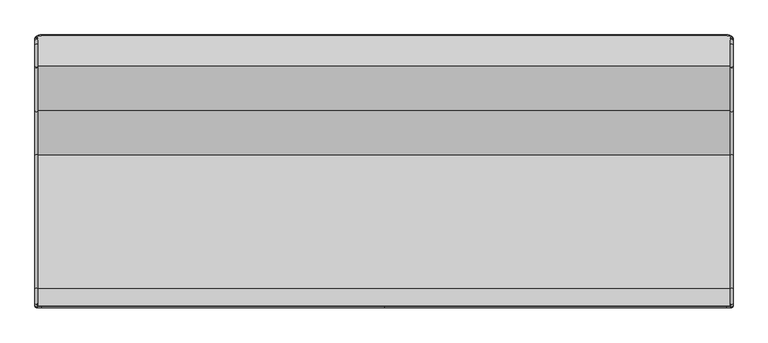
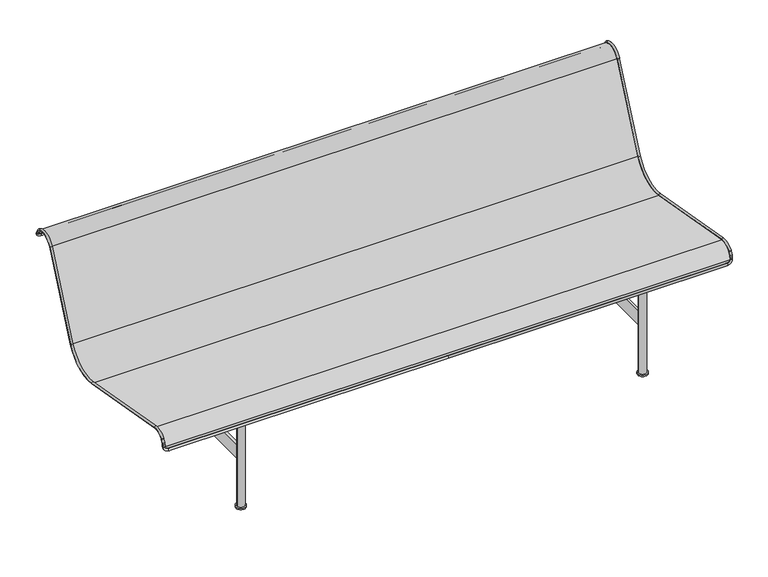
"""IFC4 building model written with IfcOpenShell, lengths in millimetres: furniture geometry."""

from ifc_helpers import new_model, si_unit, point, frame, frame_2d, origin, origin_with_axes, place, context, project, spatial, polyline, circle_curve, ellipse_curve, trimmed, segment, composite_curve, outline, extrude, source, transform, mapped, element, save
from ifc_brep_helpers import cylinder_surface, revolved_surface, advanced_brep


def furniture_766ddce8(model_context):
    return source(origin(), model_context, "Body", "SolidModel", [
        advanced_brep(
        [(-999.5462493, 373.7937013, 682.4780585), (-999.5462493, 371.646043, 686.9933175), (-991.5462493, 371.646043, 686.9933175), (-991.5462493, 373.7937013, 682.4780585), (-991.5462493, 296.4612266, 676.0749425), (-991.5462493, 357.7572354, 700.2806419), (-999.5462493, 357.7572354, 700.2806419), (-999.5462493, 296.4612266, 676.0749425), (-999.5462493, 169.6234197, 391.1925638), (-991.5462493, 169.6234197, 391.1925638), (-999.5462493, 43.6034187, 324.1865407), (-991.5462493, 43.6034187, 324.1865407), (-999.5462493, -338.739978, 391.6039975), (-991.5462493, -338.739978, 391.6039975), (-999.5462493, -381.5432629, 374.8006881), (-991.5462493, -381.5432629, 374.8006881), (-991.5462493, -382.9815742, 372.5487627), (-999.5462493, -382.9815742, 372.5487627), (-999.5462493, -388.067645, 362.9832548), (-991.5462493, -388.067645, 362.9832548), (-991.5462493, -389.6972432, 357.1071135), (-999.5462493, -389.6972432, 357.1071135), (-999.5462493, -389.9613935, 352.0668255), (-991.5462493, -389.9613935, 352.0668255), (0.0, 384.102461, 660.8048152), (-980.5462493, 384.102461, 660.8048152), (-980.5462493, 380.6662078, 668.0292297), (0.0, 380.6662078, 668.0292297), (-991.5462493, 375.9413596, 677.9627995), (-999.5462493, 375.9413596, 677.9627995), (0.0, -391.0683935, 330.9440069), (-980.5462493, -391.0683935, 330.9440069), (-980.5462493, -390.6497059, 338.9330432), (0.0, -390.6497059, 338.9330432), (-991.5462493, -390.0740104, 349.9179681), (-999.5462493, -390.0740104, 349.9179681), (980.5462493, -390.6497059, 338.9330432), (980.5462493, -391.0683935, 330.9440069), (999.5462493, -390.0740104, 349.9179681), (991.5462493, -390.0740104, 349.9179681), (991.5462493, -389.9613935, 352.0668255), (999.5462493, -389.9613935, 352.0668255), (980.5462493, 380.6662078, 668.0292297), (980.5462493, 384.102461, 660.8048152), (999.5462493, 375.9413596, 677.9627995), (991.5462493, 375.9413596, 677.9627995), (991.5462493, 373.7937013, 682.4780585), (999.5462493, 373.7937013, 682.4780585), (991.5462493, 371.646043, 686.9933175), (999.5462493, 371.646043, 686.9933175), (999.5462493, 296.4612266, 676.0749425), (999.5462493, 357.7572354, 700.2806419), (991.5462493, 357.7572354, 700.2806419), (991.5462493, 296.4612266, 676.0749425), (991.5462493, 169.6234197, 391.1925638), (999.5462493, 169.6234197, 391.1925638), (991.5462493, 43.6034187, 324.1865407), (999.5462493, 43.6034187, 324.1865407), (991.5462493, -338.739978, 391.6039975), (999.5462493, -338.739978, 391.6039975), (991.5462493, -381.5432629, 374.8006881), (999.5462493, -381.5432629, 374.8006881), (999.5462493, -382.9815742, 372.5487627), (991.5462493, -382.9815742, 372.5487627), (991.5462493, -388.067645, 362.9832548), (999.5462493, -388.067645, 362.9832548), (999.5462493, -389.6972432, 357.1071135), (991.5462493, -389.6972432, 357.1071135)],
        [
            (0, 1),
            (1, 2, circle_curve(frame((-995.5462493, 371.646043, 686.9933175), z_axis=(0.0, 0.4295316530768692, -0.9030518030573064), x_axis=(1.0, 0.0, 0.0)), 4.0)),
            (2, 3),
            (3, 0, circle_curve(frame((-995.5462493, 373.7937013, 682.4780585), z_axis=(0.0, -0.4295316530768692, 0.9030518030573064), x_axis=(1.0, 0.0, 0.0)), 4.0)),
            (0, 3, circle_curve(frame((-995.5462493, 373.7937013, 682.4780585), z_axis=(0.0, -0.4295316530768692, 0.9030518030573064), x_axis=(1.0, 0.0, 0.0)), 4.0)),
            (2, 1, circle_curve(frame((-995.5462493, 371.646043, 686.9933175), z_axis=(0.0, 0.4295316530768692, -0.9030518030573064), x_axis=(1.0, 0.0, 0.0)), 4.0)),
            (4, 5, circle_curve(frame((-991.5462493, 339.4462618, 656.9367718), z_axis=(-1.0, 0.0, 0.0), x_axis=(0.0, 0.38915652171683707, 0.9211716461144758)), 47.0529789)),
            (5, 6, circle_curve(frame((-995.5462493, 357.7572354, 700.2806419), z_axis=(0.0, -0.9211716461144757, 0.3891565217168374), x_axis=(1.0, 0.0, 0.0)), 4.0)),
            (6, 7, circle_curve(frame((-999.5462493, 339.4462618, 656.9367718), z_axis=(1.0, 0.0, 0.0), x_axis=(0.0, 0.38915652171683707, 0.9211716461144758)), 47.0529789)),
            (7, 4, circle_curve(frame((-995.5462493, 296.4612266, 676.0749425), z_axis=(0.0, 0.40673664307593704, 0.9135454576425401), x_axis=(1.0, 0.0, 0.0)), 4.0)),
            (4, 7, circle_curve(frame((-995.5462493, 296.4612266, 676.0749425), z_axis=(0.0, 0.4067366430759344, 0.9135454576425412), x_axis=(1.0, 0.0, 0.0)), 4.0)),
            (6, 5, circle_curve(frame((-995.5462493, 357.7572354, 700.2806419), z_axis=(0.0, -0.9211716461144757, 0.3891565217168374), x_axis=(1.0, 0.0, 0.0)), 4.0)),
            (7, 8),
            (8, 9, circle_curve(frame((-995.5462493, 169.6234197, 391.1925638), z_axis=(0.0, 0.40673664307592794, 0.913545457642544), x_axis=(1.0, 0.0, 0.0)), 4.0)),
            (9, 4),
            (9, 8, circle_curve(frame((-995.5462493, 169.6234197, 391.1925638), z_axis=(0.0, 0.40673664307592794, 0.913545457642544), x_axis=(1.0, 0.0, 0.0)), 4.0)),
            (8, 10, circle_curve(frame((-999.5462493, 63.7315199, 438.3386751), z_axis=(-1.0, 0.0, 0.0), x_axis=(0.0, 0.9135454576425461, -0.40673664307592317)), 115.9131151)),
            (10, 11, circle_curve(frame((-995.5462493, 43.6034187, 324.1865407), z_axis=(0.0, 0.9848077530121876, -0.17364817766704613), x_axis=(1.0, 0.0, 0.0)), 4.0)),
            (11, 9, circle_curve(frame((-991.5462493, 63.7315199, 438.3386751), z_axis=(1.0, 0.0, 0.0), x_axis=(0.0, 0.9135454576425461, -0.40673664307592317)), 115.9131151)),
            (11, 10, circle_curve(frame((-995.5462493, 43.6034187, 324.1865407), z_axis=(0.0, 0.9848077530121876, -0.17364817766704613), x_axis=(1.0, 0.0, 0.0)), 4.0)),
            (10, 12),
            (12, 13, circle_curve(frame((-995.5462493, -338.739978, 391.6039975), z_axis=(0.0, 0.9848077530121863, -0.17364817766705457), x_axis=(1.0, 0.0, 0.0)), 4.0)),
            (13, 11),
            (13, 12, circle_curve(frame((-995.5462493, -338.739978, 391.6039975), z_axis=(0.0, 0.9848077530121863, -0.17364817766705457), x_axis=(1.0, 0.0, 0.0)), 4.0)),
            (12, 14, circle_curve(frame((-999.5462493, -346.3955852, 348.1868914), z_axis=(1.0, 0.0, 0.0), x_axis=(0.0, 0.17364817766705343, 0.9848077530121864)), 44.0868849)),
            (14, 15, circle_curve(frame((-995.5462493, -381.5432629, 374.8006881), z_axis=(0.0, 0.6036669805096826, 0.7972365876214679), x_axis=(1.0, 0.0, 0.0)), 4.0)),
            (15, 13, circle_curve(frame((-991.5462493, -346.3955852, 348.1868914), z_axis=(-1.0, 0.0, 0.0), x_axis=(0.0, 0.17364817766705343, 0.9848077530121864)), 44.0868849)),
            (15, 14, circle_curve(frame((-995.5462493, -381.5432629, 374.8006881), z_axis=(0.0, 0.6036669805096826, 0.7972365876214679), x_axis=(1.0, 0.0, 0.0)), 4.0)),
            (16, 17, circle_curve(frame((-995.5462493, -382.9815742, 372.5487627), z_axis=(0.0, -0.46947156278589214, -0.8829475928589262), x_axis=(1.0, 0.0, 0.0)), 4.0)),
            (17, 18),
            (18, 19, circle_curve(frame((-995.5462493, -388.067645, 362.9832548), z_axis=(0.0, 0.46947156278589214, 0.8829475928589262), x_axis=(1.0, 0.0, 0.0)), 4.0)),
            (19, 16),
            (17, 16, circle_curve(frame((-995.5462493, -382.9815742, 372.5487627), z_axis=(0.0, -0.46947156278589214, -0.8829475928589262), x_axis=(1.0, 0.0, 0.0)), 4.0)),
            (19, 18, circle_curve(frame((-995.5462493, -388.067645, 362.9832548), z_axis=(0.0, 0.46947156278589214, 0.8829475928589262), x_axis=(1.0, 0.0, 0.0)), 4.0)),
            (1, 6, circle_curve(frame((-999.5462493, 347.239684, 675.3845663), z_axis=(1.0, 0.0, 0.0), x_axis=(0.0, 0.9030518030573125, 0.4295316530768563)), 27.0265327)),
            (5, 2, circle_curve(frame((-991.5462493, 347.239684, 675.3845663), z_axis=(-1.0, 0.0, 0.0), x_axis=(0.0, 0.9030518030573125, 0.4295316530768563)), 27.0265327)),
            (14, 17, circle_curve(frame((-999.5462493, -368.164883, 364.6705883), z_axis=(1.0, 0.0, 0.0), x_axis=(0.0, -0.7972365876214653, 0.6036669805096861)), 16.7809407)),
            (16, 15, circle_curve(frame((-991.5462493, -368.164883, 364.6705883), z_axis=(-1.0, 0.0, 0.0), x_axis=(0.0, -0.7972365876214653, 0.6036669805096861)), 16.7809407)),
            (20, 21, circle_curve(frame((-995.5462493, -389.6972432, 357.1071135), z_axis=(0.0, -0.052335956242950066, -0.9986295347545737), x_axis=(1.0, 0.0, 0.0)), 4.0)),
            (21, 22),
            (22, 23, circle_curve(frame((-995.5462493, -389.9613935, 352.0668255), z_axis=(0.0, 0.052335956242950066, 0.9986295347545737), x_axis=(1.0, 0.0, 0.0)), 4.0)),
            (23, 20),
            (21, 20, circle_curve(frame((-995.5462493, -389.6972432, 357.1071135), z_axis=(0.0, -0.052335956242950066, -0.9986295347545737), x_axis=(1.0, 0.0, 0.0)), 4.0)),
            (23, 22, circle_curve(frame((-995.5462493, -389.9613935, 352.0668255), z_axis=(0.0, 0.052335956242950066, 0.9986295347545737), x_axis=(1.0, 0.0, 0.0)), 4.0)),
            (18, 21, circle_curve(frame((-999.5462493, -375.6296639, 356.3698629), z_axis=(1.0, 0.0, 0.0), x_axis=(0.0, -0.8829475928589232, 0.46947156278589786)), 14.0868849)),
            (20, 19, circle_curve(frame((-991.5462493, -375.6296639, 356.3698629), z_axis=(-1.0, 0.0, 0.0), x_axis=(0.0, -0.8829475928589232, 0.46947156278589786)), 14.0868849)),
            (24, 25),
            (25, 26, circle_curve(frame((-980.5462493, 382.3843344, 664.4170225), z_axis=(1.0, 0.0, 0.0), x_axis=(0.0, -0.4295316530768436, 0.9030518030573186)), 4.0)),
            (26, 27),
            (27, 24, circle_curve(frame((0.0, 382.3843344, 664.4170225), z_axis=(-1.0, 0.0, 0.0), x_axis=(0.0, -0.4295316530768436, 0.9030518030573186)), 4.0)),
            (24, 27, circle_curve(frame((0.0, 382.3843344, 664.4170225), z_axis=(-1.0, 0.0, 0.0), x_axis=(0.0, -0.4295316530768436, 0.9030518030573186)), 4.0)),
            (26, 25, circle_curve(frame((-980.5462493, 382.3843344, 664.4170225), z_axis=(1.0, 0.0, 0.0), x_axis=(0.0, -0.4295316530768436, 0.9030518030573186)), 4.0)),
            (28, 29, circle_curve(frame((-995.5462493, 375.9413596, 677.9627995), z_axis=(0.0, -0.42953165307684366, 0.9030518030573186), x_axis=(1.0, 0.0, 0.0)), 4.0)),
            (29, 0),
            (3, 28),
            (29, 28, circle_curve(frame((-995.5462493, 375.9413596, 677.9627995), z_axis=(0.0, -0.42953165307684366, 0.9030518030573186), x_axis=(1.0, 0.0, 0.0)), 4.0)),
            (25, 29, circle_curve(frame((-980.5462493, 375.9413596, 677.9627995), z_axis=(0.0, 0.9030518030573186, 0.4295316530768436), x_axis=(0.0, 0.4295316530768436, -0.9030518030573186)), 19.0)),
            (28, 26, circle_curve(frame((-980.5462493, 375.9413596, 677.9627995), z_axis=(0.0, -0.9030518030573186, -0.4295316530768436), x_axis=(0.0, 0.4295316530768436, -0.9030518030573186)), 11.0)),
            (30, 31),
            (31, 32, circle_curve(frame((-980.5462493, -390.8590497, 334.938525), z_axis=(1.0, 0.0, 0.0), x_axis=(0.0, 0.052335956242932254, 0.9986295347545745)), 4.0)),
            (32, 33),
            (33, 30, circle_curve(frame((0.0, -390.8590497, 334.938525), z_axis=(-1.0, 0.0, 0.0), x_axis=(0.0, 0.052335956242932254, 0.9986295347545745)), 4.0)),
            (30, 33, circle_curve(frame((0.0, -390.8590497, 334.938525), z_axis=(-1.0, 0.0, 0.0), x_axis=(0.0, 0.052335956242932254, 0.9986295347545745)), 4.0)),
            (32, 31, circle_curve(frame((-980.5462493, -390.8590497, 334.938525), z_axis=(1.0, 0.0, 0.0), x_axis=(0.0, 0.052335956242932254, 0.9986295347545745)), 4.0)),
            (34, 35, circle_curve(frame((-995.5462493, -390.0740104, 349.9179681), z_axis=(0.0, 0.05233595624293225, 0.9986295347545745), x_axis=(1.0, 0.0, 0.0)), 4.0)),
            (35, 22),
            (23, 34),
            (35, 34, circle_curve(frame((-995.5462493, -390.0740104, 349.9179681), z_axis=(0.0, 0.05233595624293225, 0.9986295347545745), x_axis=(1.0, 0.0, 0.0)), 4.0)),
            (31, 35, circle_curve(frame((-980.5462493, -390.0740104, 349.9179681), z_axis=(0.0, 0.9986295347545745, -0.052335956242932254), x_axis=(0.0, -0.052335956242932254, -0.9986295347545745)), 19.0)),
            (34, 32, circle_curve(frame((-980.5462493, -390.0740104, 349.9179681), z_axis=(0.0, -0.9986295347545745, 0.052335956242932254), x_axis=(0.0, -0.052335956242932254, -0.9986295347545745)), 11.0)),
            (33, 36),
            (36, 37, circle_curve(frame((980.5462493, -390.8590497, 334.938525), z_axis=(-1.0, 0.0, 0.0), x_axis=(0.0, 0.052335956242932254, 0.9986295347545745)), 4.0)),
            (37, 30),
            (37, 36, circle_curve(frame((980.5462493, -390.8590497, 334.938525), z_axis=(-1.0, 0.0, 0.0), x_axis=(0.0, 0.052335956242932254, 0.9986295347545745)), 4.0)),
            (38, 39, circle_curve(frame((995.5462493, -390.0740104, 349.9179681), z_axis=(0.0, 0.05233595624293225, 0.9986295347545745), x_axis=(-1.0, 0.0, 0.0)), 4.0)),
            (39, 40),
            (40, 41, circle_curve(frame((995.5462493, -389.9613935, 352.0668255), z_axis=(0.0, -0.05233595624293225, -0.9986295347545745), x_axis=(-1.0, 0.0, 0.0)), 4.0)),
            (41, 38),
            (39, 38, circle_curve(frame((995.5462493, -390.0740104, 349.9179681), z_axis=(0.0, 0.05233595624293225, 0.9986295347545745), x_axis=(-1.0, 0.0, 0.0)), 4.0)),
            (41, 40, circle_curve(frame((995.5462493, -389.9613935, 352.0668255), z_axis=(0.0, -0.05233595624293225, -0.9986295347545745), x_axis=(-1.0, 0.0, 0.0)), 4.0)),
            (36, 39, circle_curve(frame((980.5462493, -390.0740104, 349.9179681), z_axis=(0.0, -0.9986295347545745, 0.052335956242932254), x_axis=(0.0, -0.052335956242932254, -0.9986295347545745)), 11.0)),
            (38, 37, circle_curve(frame((980.5462493, -390.0740104, 349.9179681), z_axis=(0.0, 0.9986295347545745, -0.052335956242932254), x_axis=(0.0, -0.052335956242932254, -0.9986295347545745)), 19.0)),
            (27, 42),
            (42, 43, circle_curve(frame((980.5462493, 382.3843344, 664.4170225), z_axis=(-1.0, 0.0, 0.0), x_axis=(0.0, -0.4295316530768436, 0.9030518030573186)), 4.0)),
            (43, 24),
            (43, 42, circle_curve(frame((980.5462493, 382.3843344, 664.4170225), z_axis=(-1.0, 0.0, 0.0), x_axis=(0.0, -0.4295316530768436, 0.9030518030573186)), 4.0)),
            (44, 45, circle_curve(frame((995.5462493, 375.9413596, 677.9627995), z_axis=(0.0, -0.42953165307684366, 0.9030518030573186), x_axis=(-1.0, 0.0, 0.0)), 4.0)),
            (45, 46),
            (46, 47, circle_curve(frame((995.5462493, 373.7937013, 682.4780585), z_axis=(0.0, 0.42953165307684366, -0.9030518030573186), x_axis=(-1.0, 0.0, 0.0)), 4.0)),
            (47, 44),
            (45, 44, circle_curve(frame((995.5462493, 375.9413596, 677.9627995), z_axis=(0.0, -0.42953165307684366, 0.9030518030573186), x_axis=(-1.0, 0.0, 0.0)), 4.0)),
            (47, 46, circle_curve(frame((995.5462493, 373.7937013, 682.4780585), z_axis=(0.0, 0.42953165307684366, -0.9030518030573186), x_axis=(-1.0, 0.0, 0.0)), 4.0)),
            (42, 45, circle_curve(frame((980.5462493, 375.9413596, 677.9627995), z_axis=(0.0, -0.9030518030573186, -0.4295316530768436), x_axis=(0.0, 0.4295316530768436, -0.9030518030573186)), 11.0)),
            (44, 43, circle_curve(frame((980.5462493, 375.9413596, 677.9627995), z_axis=(0.0, 0.9030518030573186, 0.4295316530768436), x_axis=(0.0, 0.4295316530768436, -0.9030518030573186)), 19.0)),
            (46, 48),
            (48, 49, circle_curve(frame((995.5462493, 371.646043, 686.9933175), z_axis=(0.0, 0.4295316530768692, -0.9030518030573064), x_axis=(-1.0, 0.0, 0.0)), 4.0)),
            (49, 47),
            (49, 48, circle_curve(frame((995.5462493, 371.646043, 686.9933175), z_axis=(0.0, 0.4295316530768692, -0.9030518030573064), x_axis=(-1.0, 0.0, 0.0)), 4.0)),
            (50, 51, circle_curve(frame((999.5462493, 339.4462618, 656.9367718), z_axis=(-1.0, 0.0, 0.0), x_axis=(0.0, 0.38915652171683707, 0.9211716461144758)), 47.0529789)),
            (51, 52, circle_curve(frame((995.5462493, 357.7572354, 700.2806419), z_axis=(0.0, -0.9211716461144757, 0.3891565217168374), x_axis=(-1.0, 0.0, 0.0)), 4.0)),
            (52, 53, circle_curve(frame((991.5462493, 339.4462618, 656.9367718), z_axis=(1.0, 0.0, 0.0), x_axis=(0.0, 0.38915652171683707, 0.9211716461144758)), 47.0529789)),
            (53, 50, circle_curve(frame((995.5462493, 296.4612266, 676.0749425), z_axis=(0.0, 0.4067366430759344, 0.9135454576425412), x_axis=(-1.0, 0.0, 0.0)), 4.0)),
            (50, 53, circle_curve(frame((995.5462493, 296.4612266, 676.0749425), z_axis=(0.0, 0.4067366430759344, 0.9135454576425412), x_axis=(-1.0, 0.0, 0.0)), 4.0)),
            (52, 51, circle_curve(frame((995.5462493, 357.7572354, 700.2806419), z_axis=(0.0, -0.9211716461144757, 0.3891565217168374), x_axis=(-1.0, 0.0, 0.0)), 4.0)),
            (53, 54),
            (54, 55, circle_curve(frame((995.5462493, 169.6234197, 391.1925638), z_axis=(0.0, 0.40673664307592794, 0.913545457642544), x_axis=(-1.0, 0.0, 0.0)), 4.0)),
            (55, 50),
            (55, 54, circle_curve(frame((995.5462493, 169.6234197, 391.1925638), z_axis=(0.0, 0.40673664307592794, 0.913545457642544), x_axis=(-1.0, 0.0, 0.0)), 4.0)),
            (54, 56, circle_curve(frame((991.5462493, 63.7315199, 438.3386751), z_axis=(-1.0, 0.0, 0.0), x_axis=(0.0, 0.9135454576425461, -0.40673664307592317)), 115.9131151)),
            (56, 57, circle_curve(frame((995.5462493, 43.6034187, 324.1865407), z_axis=(0.0, 0.9848077530121876, -0.17364817766704613), x_axis=(-1.0, 0.0, 0.0)), 4.0)),
            (57, 55, circle_curve(frame((999.5462493, 63.7315199, 438.3386751), z_axis=(1.0, 0.0, 0.0), x_axis=(0.0, 0.9135454576425461, -0.40673664307592317)), 115.9131151)),
            (57, 56, circle_curve(frame((995.5462493, 43.6034187, 324.1865407), z_axis=(0.0, 0.9848077530121876, -0.17364817766704613), x_axis=(-1.0, 0.0, 0.0)), 4.0)),
            (56, 58),
            (58, 59, circle_curve(frame((995.5462493, -338.739978, 391.6039975), z_axis=(0.0, 0.9848077530121863, -0.17364817766705457), x_axis=(-1.0, 0.0, 0.0)), 4.0)),
            (59, 57),
            (59, 58, circle_curve(frame((995.5462493, -338.739978, 391.6039975), z_axis=(0.0, 0.9848077530121863, -0.17364817766705457), x_axis=(-1.0, 0.0, 0.0)), 4.0)),
            (58, 60, circle_curve(frame((991.5462493, -346.3955852, 348.1868914), z_axis=(1.0, 0.0, 0.0), x_axis=(0.0, 0.17364817766705343, 0.9848077530121864)), 44.0868849)),
            (60, 61, circle_curve(frame((995.5462493, -381.5432629, 374.8006881), z_axis=(0.0, 0.6036669805096826, 0.7972365876214679), x_axis=(-1.0, 0.0, 0.0)), 4.0)),
            (61, 59, circle_curve(frame((999.5462493, -346.3955852, 348.1868914), z_axis=(-1.0, 0.0, 0.0), x_axis=(0.0, 0.17364817766705343, 0.9848077530121864)), 44.0868849)),
            (61, 60, circle_curve(frame((995.5462493, -381.5432629, 374.8006881), z_axis=(0.0, 0.6036669805096826, 0.7972365876214679), x_axis=(-1.0, 0.0, 0.0)), 4.0)),
            (62, 63, circle_curve(frame((995.5462493, -382.9815742, 372.5487627), z_axis=(0.0, -0.46947156278589214, -0.8829475928589262), x_axis=(-1.0, 0.0, 0.0)), 4.0)),
            (63, 64),
            (64, 65, circle_curve(frame((995.5462493, -388.067645, 362.9832548), z_axis=(0.0, 0.46947156278589214, 0.8829475928589262), x_axis=(-1.0, 0.0, 0.0)), 4.0)),
            (65, 62),
            (63, 62, circle_curve(frame((995.5462493, -382.9815742, 372.5487627), z_axis=(0.0, -0.46947156278589214, -0.8829475928589262), x_axis=(-1.0, 0.0, 0.0)), 4.0)),
            (65, 64, circle_curve(frame((995.5462493, -388.067645, 362.9832548), z_axis=(0.0, 0.46947156278589214, 0.8829475928589262), x_axis=(-1.0, 0.0, 0.0)), 4.0)),
            (48, 52, circle_curve(frame((991.5462493, 347.239684, 675.3845663), z_axis=(1.0, 0.0, 0.0), x_axis=(0.0, 0.9030518030573125, 0.4295316530768563)), 27.0265327)),
            (51, 49, circle_curve(frame((999.5462493, 347.239684, 675.3845663), z_axis=(-1.0, 0.0, 0.0), x_axis=(0.0, 0.9030518030573125, 0.4295316530768563)), 27.0265327)),
            (60, 63, circle_curve(frame((991.5462493, -368.164883, 364.6705883), z_axis=(1.0, 0.0, 0.0), x_axis=(0.0, -0.7972365876214653, 0.6036669805096861)), 16.7809407)),
            (62, 61, circle_curve(frame((999.5462493, -368.164883, 364.6705883), z_axis=(-1.0, 0.0, 0.0), x_axis=(0.0, -0.7972365876214653, 0.6036669805096861)), 16.7809407)),
            (66, 67, circle_curve(frame((995.5462493, -389.6972432, 357.1071135), z_axis=(0.0, -0.052335956242950066, -0.9986295347545737), x_axis=(-1.0, 0.0, 0.0)), 4.0)),
            (67, 40),
            (41, 66),
            (67, 66, circle_curve(frame((995.5462493, -389.6972432, 357.1071135), z_axis=(0.0, -0.052335956242950066, -0.9986295347545737), x_axis=(-1.0, 0.0, 0.0)), 4.0)),
            (64, 67, circle_curve(frame((991.5462493, -375.6296639, 356.3698629), z_axis=(1.0, 0.0, 0.0), x_axis=(0.0, -0.8829475928589232, 0.46947156278589786)), 14.0868849)),
            (66, 65, circle_curve(frame((999.5462493, -375.6296639, 356.3698629), z_axis=(-1.0, 0.0, 0.0), x_axis=(0.0, -0.8829475928589232, 0.46947156278589786)), 14.0868849)),
        ],
        [
            cylinder_surface(frame((-995.5462493, 373.7937013, 682.4780585), z_axis=(0.0, 0.4295316530768692, -0.9030518030573064), x_axis=(1.0, 0.0, 0.0)), 4.0),
            revolved_surface(trimmed(ellipse_curve(frame((-995.5462493, 357.7572354, 700.2806419), z_axis=(0.0, 0.9211716461144757, -0.3891565217168374), x_axis=(1.0, 0.0, 0.0)), 4.0, 4.0), [point((-999.5462493, 357.7572354, 700.2806419))], [point((-991.5462493, 357.7572354, 700.2806419))], True, "CARTESIAN"), (-646.1061414, 339.4462618, 656.9367718), (1.0, 0.0, 0.0)),
            revolved_surface(trimmed(ellipse_curve(frame((-995.5462493, 357.7572354, 700.2806419), z_axis=(0.0, 0.9211716461144757, -0.3891565217168374), x_axis=(1.0, 0.0, 0.0)), 4.0, 4.0), [point((-991.5462493, 357.7572354, 700.2806419))], [point((-999.5462493, 357.7572354, 700.2806419))], True, "CARTESIAN"), (-646.1061414, 339.4462618, 656.9367718), (1.0, 0.0, 0.0)),
            cylinder_surface(frame((-995.5462493, 296.4612266, 676.0749425), z_axis=(0.0, 0.40673664307592794, 0.913545457642544), x_axis=(1.0, 0.0, 0.0)), 4.0),
            revolved_surface(trimmed(ellipse_curve(frame((-995.5462493, 169.6234197, 391.1925638), z_axis=(0.0, 0.4067366430759232, 0.9135454576425461), x_axis=(1.0, 0.0, 0.0)), 4.0, 4.0), [point((-999.5462493, 169.6234197, 391.1925638))], [point((-991.5462493, 169.6234197, 391.1925638))], True, "CARTESIAN"), (-646.1061414, 63.7315199, 438.3386751), (-1.0, 0.0, 0.0)),
            revolved_surface(trimmed(ellipse_curve(frame((-995.5462493, 169.6234197, 391.1925638), z_axis=(0.0, 0.4067366430759232, 0.9135454576425461), x_axis=(1.0, 0.0, 0.0)), 4.0, 4.0), [point((-991.5462493, 169.6234197, 391.1925638))], [point((-999.5462493, 169.6234197, 391.1925638))], True, "CARTESIAN"), (-646.1061414, 63.7315199, 438.3386751), (-1.0, 0.0, 0.0)),
            cylinder_surface(frame((-995.5462493, 43.6034187, 324.1865407), z_axis=(0.0, 0.9848077530121863, -0.17364817766705457), x_axis=(1.0, 0.0, 0.0)), 4.0),
            revolved_surface(trimmed(ellipse_curve(frame((-995.5462493, -338.739978, 391.6039975), z_axis=(0.0, 0.9848077530121864, -0.17364817766705357), x_axis=(1.0, 0.0, 0.0)), 4.0, 4.0), [point((-999.5462493, -338.739978, 391.6039975))], [point((-991.5462493, -338.739978, 391.6039975))], True, "CARTESIAN"), (-646.1061414, -346.3955852, 348.1868914), (1.0, 0.0, 0.0)),
            revolved_surface(trimmed(ellipse_curve(frame((-995.5462493, -338.739978, 391.6039975), z_axis=(0.0, 0.9848077530121864, -0.17364817766705357), x_axis=(1.0, 0.0, 0.0)), 4.0, 4.0), [point((-991.5462493, -338.739978, 391.6039975))], [point((-999.5462493, -338.739978, 391.6039975))], True, "CARTESIAN"), (-646.1061414, -346.3955852, 348.1868914), (1.0, 0.0, 0.0)),
            cylinder_surface(frame((-995.5462493, -382.9815742, 372.5487627), z_axis=(0.0, 0.46947156278589214, 0.8829475928589262), x_axis=(1.0, 0.0, 0.0)), 4.0),
            revolved_surface(trimmed(ellipse_curve(frame((-995.5462493, 371.646043, 686.9933175), z_axis=(0.0, 0.4295316530768562, -0.9030518030573125), x_axis=(1.0, 0.0, 0.0)), 4.0, 4.0), [point((-999.5462493, 371.646043, 686.9933175))], [point((-991.5462493, 371.646043, 686.9933175))], True, "CARTESIAN"), (-646.1061414, 347.239684, 675.3845663), (1.0, 0.0, 0.0)),
            revolved_surface(trimmed(ellipse_curve(frame((-995.5462493, 371.646043, 686.9933175), z_axis=(0.0, 0.4295316530768562, -0.9030518030573125), x_axis=(1.0, 0.0, 0.0)), 4.0, 4.0), [point((-991.5462493, 371.646043, 686.9933175))], [point((-999.5462493, 371.646043, 686.9933175))], True, "CARTESIAN"), (-646.1061414, 347.239684, 675.3845663), (1.0, 0.0, 0.0)),
            revolved_surface(trimmed(ellipse_curve(frame((-995.5462493, -381.5432629, 374.8006881), z_axis=(0.0, 0.6036669805096865, 0.7972365876214651), x_axis=(1.0, 0.0, 0.0)), 4.0, 4.0), [point((-999.5462493, -381.5432629, 374.8006881))], [point((-991.5462493, -381.5432629, 374.8006881))], True, "CARTESIAN"), (-646.1061414, -368.164883, 364.6705883), (1.0, 0.0, 0.0)),
            revolved_surface(trimmed(ellipse_curve(frame((-995.5462493, -381.5432629, 374.8006881), z_axis=(0.0, 0.6036669805096865, 0.7972365876214651), x_axis=(1.0, 0.0, 0.0)), 4.0, 4.0), [point((-991.5462493, -381.5432629, 374.8006881))], [point((-999.5462493, -381.5432629, 374.8006881))], True, "CARTESIAN"), (-646.1061414, -368.164883, 364.6705883), (1.0, 0.0, 0.0)),
            cylinder_surface(frame((-995.5462493, -389.6972432, 357.1071135), z_axis=(0.0, 0.052335956242950066, 0.9986295347545737), x_axis=(1.0, 0.0, 0.0)), 4.0),
            revolved_surface(trimmed(ellipse_curve(frame((-995.5462493, -388.067645, 362.9832548), z_axis=(0.0, 0.46947156278589824, 0.882947592858923), x_axis=(1.0, 0.0, 0.0)), 4.0, 4.0), [point((-999.5462493, -388.067645, 362.9832548))], [point((-991.5462493, -388.067645, 362.9832548))], True, "CARTESIAN"), (-646.1061414, -375.6296639, 356.3698629), (1.0, 0.0, 0.0)),
            revolved_surface(trimmed(ellipse_curve(frame((-995.5462493, -388.067645, 362.9832548), z_axis=(0.0, 0.46947156278589824, 0.882947592858923), x_axis=(1.0, 0.0, 0.0)), 4.0, 4.0), [point((-991.5462493, -388.067645, 362.9832548))], [point((-999.5462493, -388.067645, 362.9832548))], True, "CARTESIAN"), (-646.1061414, -375.6296639, 356.3698629), (1.0, 0.0, 0.0)),
            cylinder_surface(frame((0.0, 382.3843344, 664.4170225), z_axis=(1.0, 0.0, 0.0), x_axis=(0.0, -0.4295316530768436, 0.9030518030573186)), 4.0),
            cylinder_surface(frame((-995.5462493, 375.9413596, 677.9627995), z_axis=(0.0, 0.42953165307684366, -0.9030518030573186), x_axis=(1.0, 0.0, 0.0)), 4.0),
            revolved_surface(trimmed(ellipse_curve(frame((-980.5462493, 382.3843344, 664.4170225), z_axis=(1.0, 0.0, 0.0), x_axis=(0.0, -0.4295316530768436, 0.9030518030573186)), 4.0, 4.0), [point((-980.5462493, 384.102461, 660.8048152))], [point((-980.5462493, 380.6662078, 668.0292297))], True, "CARTESIAN"), (-980.5462493, -297.7152046, 357.5417377), (0.0, 0.9030518030573186, 0.4295316530768436)),
            revolved_surface(trimmed(ellipse_curve(frame((-980.5462493, 382.3843344, 664.4170225), z_axis=(1.0, 0.0, 0.0), x_axis=(0.0, -0.4295316530768436, 0.9030518030573186)), 4.0, 4.0), [point((-980.5462493, 380.6662078, 668.0292297))], [point((-980.5462493, 384.102461, 660.8048152))], True, "CARTESIAN"), (-980.5462493, -297.7152046, 357.5417377), (0.0, 0.9030518030573186, 0.4295316530768436)),
            cylinder_surface(frame((0.0, -390.8590497, 334.938525), z_axis=(1.0, 0.0, 0.0), x_axis=(0.0, 0.052335956242932254, 0.9986295347545745)), 4.0),
            cylinder_surface(frame((-995.5462493, -390.0740104, 349.9179681), z_axis=(0.0, -0.05233595624293225, -0.9986295347545745), x_axis=(1.0, 0.0, 0.0)), 4.0),
            revolved_surface(trimmed(ellipse_curve(frame((-980.5462493, -390.8590497, 334.938525), z_axis=(1.0, 0.0, 0.0), x_axis=(0.0, 0.052335956242932254, 0.9986295347545745)), 4.0, 4.0), [point((-980.5462493, -391.0683935, 330.9440069))], [point((-980.5462493, -390.6497059, 338.9330432))], True, "CARTESIAN"), (-980.5462493, -1135.0294371, 388.9594276), (0.0, 0.9986295347545745, -0.052335956242932254)),
            revolved_surface(trimmed(ellipse_curve(frame((-980.5462493, -390.8590497, 334.938525), z_axis=(1.0, 0.0, 0.0), x_axis=(0.0, 0.052335956242932254, 0.9986295347545745)), 4.0, 4.0), [point((-980.5462493, -390.6497059, 338.9330432))], [point((-980.5462493, -391.0683935, 330.9440069))], True, "CARTESIAN"), (-980.5462493, -1135.0294371, 388.9594276), (0.0, 0.9986295347545745, -0.052335956242932254)),
            cylinder_surface(frame((0.0, -390.8590497, 334.938525), z_axis=(-1.0, 0.0, 0.0), x_axis=(0.0, 0.052335956242932254, 0.9986295347545745)), 4.0),
            cylinder_surface(frame((995.5462493, -390.0740104, 349.9179681), z_axis=(0.0, -0.05233595624293225, -0.9986295347545745), x_axis=(-1.0, 0.0, 0.0)), 4.0),
            revolved_surface(trimmed(ellipse_curve(frame((980.5462493, -390.8590497, 334.938525), z_axis=(-1.0, 0.0, 0.0), x_axis=(0.0, 0.052335956242932254, 0.9986295347545745)), 4.0, 4.0), [point((980.5462493, -390.6497059, 338.9330432))], [point((980.5462493, -391.0683935, 330.9440069))], True, "CARTESIAN"), (980.5462493, -1135.0294371, 388.9594276), (0.0, -0.9986295347545745, 0.052335956242932254)),
            revolved_surface(trimmed(ellipse_curve(frame((980.5462493, -390.8590497, 334.938525), z_axis=(-1.0, 0.0, 0.0), x_axis=(0.0, 0.052335956242932254, 0.9986295347545745)), 4.0, 4.0), [point((980.5462493, -391.0683935, 330.9440069))], [point((980.5462493, -390.6497059, 338.9330432))], True, "CARTESIAN"), (980.5462493, -1135.0294371, 388.9594276), (0.0, -0.9986295347545745, 0.052335956242932254)),
            cylinder_surface(frame((0.0, 382.3843344, 664.4170225), z_axis=(-1.0, 0.0, 0.0), x_axis=(0.0, -0.4295316530768436, 0.9030518030573186)), 4.0),
            cylinder_surface(frame((995.5462493, 375.9413596, 677.9627995), z_axis=(0.0, 0.42953165307684366, -0.9030518030573186), x_axis=(-1.0, 0.0, 0.0)), 4.0),
            revolved_surface(trimmed(ellipse_curve(frame((980.5462493, 382.3843344, 664.4170225), z_axis=(-1.0, 0.0, 0.0), x_axis=(0.0, -0.4295316530768436, 0.9030518030573186)), 4.0, 4.0), [point((980.5462493, 380.6662078, 668.0292297))], [point((980.5462493, 384.102461, 660.8048152))], True, "CARTESIAN"), (980.5462493, -297.7152046, 357.5417377), (0.0, -0.9030518030573186, -0.4295316530768436)),
            revolved_surface(trimmed(ellipse_curve(frame((980.5462493, 382.3843344, 664.4170225), z_axis=(-1.0, 0.0, 0.0), x_axis=(0.0, -0.4295316530768436, 0.9030518030573186)), 4.0, 4.0), [point((980.5462493, 384.102461, 660.8048152))], [point((980.5462493, 380.6662078, 668.0292297))], True, "CARTESIAN"), (980.5462493, -297.7152046, 357.5417377), (0.0, -0.9030518030573186, -0.4295316530768436)),
            cylinder_surface(frame((995.5462493, 373.7937013, 682.4780585), z_axis=(0.0, 0.4295316530768692, -0.9030518030573064), x_axis=(-1.0, 0.0, 0.0)), 4.0),
            revolved_surface(trimmed(ellipse_curve(frame((995.5462493, 357.7572354, 700.2806419), z_axis=(0.0, 0.9211716461144757, -0.3891565217168374), x_axis=(-1.0, 0.0, 0.0)), 4.0, 4.0), [point((991.5462493, 357.7572354, 700.2806419))], [point((999.5462493, 357.7572354, 700.2806419))], True, "CARTESIAN"), (646.1061414, 339.4462618, 656.9367718), (1.0, 0.0, 0.0)),
            revolved_surface(trimmed(ellipse_curve(frame((995.5462493, 357.7572354, 700.2806419), z_axis=(0.0, 0.9211716461144757, -0.3891565217168374), x_axis=(-1.0, 0.0, 0.0)), 4.0, 4.0), [point((999.5462493, 357.7572354, 700.2806419))], [point((991.5462493, 357.7572354, 700.2806419))], True, "CARTESIAN"), (646.1061414, 339.4462618, 656.9367718), (1.0, 0.0, 0.0)),
            cylinder_surface(frame((995.5462493, 296.4612266, 676.0749425), z_axis=(0.0, 0.40673664307592794, 0.913545457642544), x_axis=(-1.0, 0.0, 0.0)), 4.0),
            revolved_surface(trimmed(ellipse_curve(frame((995.5462493, 169.6234197, 391.1925638), z_axis=(0.0, 0.4067366430759232, 0.9135454576425461), x_axis=(-1.0, 0.0, 0.0)), 4.0, 4.0), [point((991.5462493, 169.6234197, 391.1925638))], [point((999.5462493, 169.6234197, 391.1925638))], True, "CARTESIAN"), (646.1061414, 63.7315199, 438.3386751), (-1.0, 0.0, 0.0)),
            revolved_surface(trimmed(ellipse_curve(frame((995.5462493, 169.6234197, 391.1925638), z_axis=(0.0, 0.4067366430759232, 0.9135454576425461), x_axis=(-1.0, 0.0, 0.0)), 4.0, 4.0), [point((999.5462493, 169.6234197, 391.1925638))], [point((991.5462493, 169.6234197, 391.1925638))], True, "CARTESIAN"), (646.1061414, 63.7315199, 438.3386751), (-1.0, 0.0, 0.0)),
            cylinder_surface(frame((995.5462493, 43.6034187, 324.1865407), z_axis=(0.0, 0.9848077530121863, -0.17364817766705457), x_axis=(-1.0, 0.0, 0.0)), 4.0),
            revolved_surface(trimmed(ellipse_curve(frame((995.5462493, -338.739978, 391.6039975), z_axis=(0.0, 0.9848077530121864, -0.17364817766705357), x_axis=(-1.0, 0.0, 0.0)), 4.0, 4.0), [point((991.5462493, -338.739978, 391.6039975))], [point((999.5462493, -338.739978, 391.6039975))], True, "CARTESIAN"), (646.1061414, -346.3955852, 348.1868914), (1.0, 0.0, 0.0)),
            revolved_surface(trimmed(ellipse_curve(frame((995.5462493, -338.739978, 391.6039975), z_axis=(0.0, 0.9848077530121864, -0.17364817766705357), x_axis=(-1.0, 0.0, 0.0)), 4.0, 4.0), [point((999.5462493, -338.739978, 391.6039975))], [point((991.5462493, -338.739978, 391.6039975))], True, "CARTESIAN"), (646.1061414, -346.3955852, 348.1868914), (1.0, 0.0, 0.0)),
            cylinder_surface(frame((995.5462493, -382.9815742, 372.5487627), z_axis=(0.0, 0.46947156278589214, 0.8829475928589262), x_axis=(-1.0, 0.0, 0.0)), 4.0),
            revolved_surface(trimmed(ellipse_curve(frame((995.5462493, 371.646043, 686.9933175), z_axis=(0.0, 0.4295316530768562, -0.9030518030573125), x_axis=(-1.0, 0.0, 0.0)), 4.0, 4.0), [point((991.5462493, 371.646043, 686.9933175))], [point((999.5462493, 371.646043, 686.9933175))], True, "CARTESIAN"), (646.1061414, 347.239684, 675.3845663), (1.0, 0.0, 0.0)),
            revolved_surface(trimmed(ellipse_curve(frame((995.5462493, 371.646043, 686.9933175), z_axis=(0.0, 0.4295316530768562, -0.9030518030573125), x_axis=(-1.0, 0.0, 0.0)), 4.0, 4.0), [point((999.5462493, 371.646043, 686.9933175))], [point((991.5462493, 371.646043, 686.9933175))], True, "CARTESIAN"), (646.1061414, 347.239684, 675.3845663), (1.0, 0.0, 0.0)),
            revolved_surface(trimmed(ellipse_curve(frame((995.5462493, -381.5432629, 374.8006881), z_axis=(0.0, 0.6036669805096865, 0.7972365876214651), x_axis=(-1.0, 0.0, 0.0)), 4.0, 4.0), [point((991.5462493, -381.5432629, 374.8006881))], [point((999.5462493, -381.5432629, 374.8006881))], True, "CARTESIAN"), (646.1061414, -368.164883, 364.6705883), (1.0, 0.0, 0.0)),
            revolved_surface(trimmed(ellipse_curve(frame((995.5462493, -381.5432629, 374.8006881), z_axis=(0.0, 0.6036669805096865, 0.7972365876214651), x_axis=(-1.0, 0.0, 0.0)), 4.0, 4.0), [point((999.5462493, -381.5432629, 374.8006881))], [point((991.5462493, -381.5432629, 374.8006881))], True, "CARTESIAN"), (646.1061414, -368.164883, 364.6705883), (1.0, 0.0, 0.0)),
            cylinder_surface(frame((995.5462493, -389.6972432, 357.1071135), z_axis=(0.0, 0.052335956242950066, 0.9986295347545737), x_axis=(-1.0, 0.0, 0.0)), 4.0),
            revolved_surface(trimmed(ellipse_curve(frame((995.5462493, -388.067645, 362.9832548), z_axis=(0.0, 0.46947156278589824, 0.882947592858923), x_axis=(-1.0, 0.0, 0.0)), 4.0, 4.0), [point((991.5462493, -388.067645, 362.9832548))], [point((999.5462493, -388.067645, 362.9832548))], True, "CARTESIAN"), (646.1061414, -375.6296639, 356.3698629), (1.0, 0.0, 0.0)),
            revolved_surface(trimmed(ellipse_curve(frame((995.5462493, -388.067645, 362.9832548), z_axis=(0.0, 0.46947156278589824, 0.882947592858923), x_axis=(-1.0, 0.0, 0.0)), 4.0, 4.0), [point((999.5462493, -388.067645, 362.9832548))], [point((991.5462493, -388.067645, 362.9832548))], True, "CARTESIAN"), (646.1061414, -375.6296639, 356.3698629), (1.0, 0.0, 0.0)),
        ],
        [
            (0, [[1, 2, 3, 4]]),
            (0, [[-1, 5, -3, 6]]),
            (1, [[7, 8, 9, 10]]),
            (2, [[-7, 11, -9, 12]]),
            (3, [[-10, 13, 14, 15]]),
            (3, [[-11, -15, 16, -13]]),
            (4, [[-14, 17, 18, 19]]),
            (5, [[-16, -19, 20, -17]]),
            (6, [[-18, 21, 22, 23]]),
            (6, [[-20, -23, 24, -21]]),
            (7, [[-22, 25, 26, 27]]),
            (8, [[-24, -27, 28, -25]]),
            (9, [[29, 30, 31, 32]]),
            (9, [[-30, 33, -32, 34]]),
            (10, [[-2, 35, -8, 36]]),
            (11, [[-6, -36, -12, -35]]),
            (12, [[-26, 37, -29, 38]]),
            (13, [[-28, -38, -33, -37]]),
            (14, [[39, 40, 41, 42]]),
            (14, [[-40, 43, -42, 44]]),
            (15, [[-31, 45, -39, 46]]),
            (16, [[-34, -46, -43, -45]]),
            (17, [[47, 48, 49, 50]]),
            (17, [[-47, 51, -49, 52]]),
            (18, [[53, 54, -4, 55]]),
            (18, [[-54, 56, -55, -5]]),
            (19, [[-48, 57, -53, 58]]),
            (20, [[-52, -58, -56, -57]]),
            (21, [[59, 60, 61, 62]]),
            (21, [[-59, 63, -61, 64]]),
            (22, [[65, 66, -44, 67]]),
            (22, [[-66, 68, -67, -41]]),
            (23, [[-60, 69, -65, 70]]),
            (24, [[-64, -70, -68, -69]]),
            (25, [[71, 72, 73, -62]]),
            (25, [[-71, -63, -73, 74]]),
            (26, [[75, 76, 77, 78]]),
            (26, [[-76, 79, -78, 80]]),
            (27, [[-72, 81, -75, 82]]),
            (28, [[-74, -82, -79, -81]]),
            (29, [[83, 84, 85, -50]]),
            (29, [[-83, -51, -85, 86]]),
            (30, [[87, 88, 89, 90]]),
            (30, [[-88, 91, -90, 92]]),
            (31, [[-84, 93, -87, 94]]),
            (32, [[-86, -94, -91, -93]]),
            (33, [[95, 96, 97, -89]]),
            (33, [[-95, -92, -97, 98]]),
            (34, [[99, 100, 101, 102]]),
            (35, [[-99, 103, -101, 104]]),
            (36, [[-102, 105, 106, 107]]),
            (36, [[-103, -107, 108, -105]]),
            (37, [[-106, 109, 110, 111]]),
            (38, [[-108, -111, 112, -109]]),
            (39, [[-110, 113, 114, 115]]),
            (39, [[-112, -115, 116, -113]]),
            (40, [[-114, 117, 118, 119]]),
            (41, [[-116, -119, 120, -117]]),
            (42, [[121, 122, 123, 124]]),
            (42, [[-122, 125, -124, 126]]),
            (43, [[-96, 127, -100, 128]]),
            (44, [[-98, -128, -104, -127]]),
            (45, [[-118, 129, -121, 130]]),
            (46, [[-120, -130, -125, -129]]),
            (47, [[131, 132, -80, 133]]),
            (47, [[-132, 134, -133, -77]]),
            (48, [[-123, 135, -131, 136]]),
            (49, [[-126, -136, -134, -135]]),
        ],
    ),
        extrude(outline(composite_curve([segment(trimmed(circle_curve(frame_2d((705.0000448, 345.3323767)), 10.0), [point((715.0000448, 345.3323767))], [point((695.0000448, 345.3323767))], False, "CARTESIAN"), True, "CONTINUOUS"), segment(trimmed(circle_curve(frame_2d((705.0000448, 345.3323767)), 10.0), [point((695.0000448, 345.3323767))], [point((715.0000448, 345.3323767))], False, "CARTESIAN"), True, "CONTINUOUS")], self_intersect=False)), origin_with_axes(), (0.0, 0.0, 1.0), 5.0095249),
        extrude(outline(composite_curve([segment(trimmed(circle_curve(frame_2d((705.0000448, 345.3323767)), 17.5), [point((722.5000448, 345.3323767))], [point((687.5000448, 345.3323767))], False, "CARTESIAN"), True, "CONTINUOUS"), segment(trimmed(circle_curve(frame_2d((705.0000448, 345.3323767)), 17.5), [point((687.5000448, 345.3323767))], [point((722.5000448, 345.3323767))], False, "CARTESIAN"), True, "CONTINUOUS")], self_intersect=False)), frame((0.0, 0.0, 5.0095249), z_axis=(0.0, 0.0, 1.0), x_axis=(1.0, 0.0, 0.0)), (0.0, 0.0, 1.0), 4.9904751),
        extrude(outline(composite_curve([segment(trimmed(circle_curve(frame_2d((705.0000448, 345.3323767)), 13.0), [point((718.0000448, 345.3323767))], [point((692.0000448, 345.3323767))], False, "CARTESIAN"), True, "CONTINUOUS"), segment(trimmed(circle_curve(frame_2d((705.0000448, 345.3323767)), 13.0), [point((692.0000448, 345.3323767))], [point((718.0000448, 345.3323767))], False, "CARTESIAN"), True, "CONTINUOUS")], self_intersect=False)), frame((0.0, 0.0, 10.0), z_axis=(0.0, 0.0, 1.0), x_axis=(1.0, 0.0, 0.0)), (0.0, 0.0, 1.0), 672.2046016),
        extrude(outline(composite_curve([segment(trimmed(circle_curve(frame_2d((705.0000448, -354.6676233)), 10.0), [point((715.0000448, -354.6676233))], [point((695.0000448, -354.6676233))], False, "CARTESIAN"), True, "CONTINUOUS"), segment(trimmed(circle_curve(frame_2d((705.0000448, -354.6676233)), 10.0), [point((695.0000448, -354.6676233))], [point((715.0000448, -354.6676233))], False, "CARTESIAN"), True, "CONTINUOUS")], self_intersect=False)), origin_with_axes(), (0.0, 0.0, 1.0), 5.0095249),
        extrude(outline(composite_curve([segment(trimmed(circle_curve(frame_2d((705.0000448, -354.6676233)), 17.5), [point((722.5000448, -354.6676233))], [point((687.5000448, -354.6676233))], False, "CARTESIAN"), True, "CONTINUOUS"), segment(trimmed(circle_curve(frame_2d((705.0000448, -354.6676233)), 17.5), [point((687.5000448, -354.6676233))], [point((722.5000448, -354.6676233))], False, "CARTESIAN"), True, "CONTINUOUS")], self_intersect=False)), frame((0.0, 0.0, 5.0095249), z_axis=(0.0, 0.0, 1.0), x_axis=(1.0, 0.0, 0.0)), (0.0, 0.0, 1.0), 4.9904751),
        extrude(outline(composite_curve([segment(trimmed(circle_curve(frame_2d((705.0000448, -354.6676233)), 13.0), [point((718.0000448, -354.6676233))], [point((692.0000448, -354.6676233))], False, "CARTESIAN"), True, "CONTINUOUS"), segment(trimmed(circle_curve(frame_2d((705.0000448, -354.6676233)), 13.0), [point((692.0000448, -354.6676233))], [point((718.0000448, -354.6676233))], False, "CARTESIAN"), True, "CONTINUOUS")], self_intersect=False)), frame((0.0, 0.0, 10.0), z_axis=(0.0, 0.0, 1.0), x_axis=(1.0, 0.0, 0.0)), (0.0, 0.0, 1.0), 357.3979993),
        extrude(outline(polyline([(701.0251424, -343.4225488), (701.0251424, 334.0873022), (708.8751424, 334.0873022), (708.8751424, -343.4225488), (701.0251424, -343.4225488)])), frame((0.0, 0.0, 175.0), z_axis=(0.0, 0.0, 1.0), x_axis=(1.0, 0.0, 0.0)), (0.0, 0.0, 1.0), 50.0),
        extrude(outline(composite_curve([segment(trimmed(circle_curve(frame_2d((-704.9999552, 345.3323767)), 10.0), [point((-714.9999552, 345.3323767))], [point((-694.9999552, 345.3323767))], False, "CARTESIAN"), True, "CONTINUOUS"), segment(trimmed(circle_curve(frame_2d((-704.9999552, 345.3323767)), 10.0), [point((-694.9999552, 345.3323767))], [point((-714.9999552, 345.3323767))], False, "CARTESIAN"), True, "CONTINUOUS")], self_intersect=False)), origin_with_axes(), (0.0, 0.0, 1.0), 5.0095249),
        extrude(outline(composite_curve([segment(trimmed(circle_curve(frame_2d((-704.9999552, 345.3323767)), 17.5), [point((-722.4999552, 345.3323767))], [point((-687.4999552, 345.3323767))], False, "CARTESIAN"), True, "CONTINUOUS"), segment(trimmed(circle_curve(frame_2d((-704.9999552, 345.3323767)), 17.5), [point((-687.4999552, 345.3323767))], [point((-722.4999552, 345.3323767))], False, "CARTESIAN"), True, "CONTINUOUS")], self_intersect=False)), frame((0.0, 0.0, 5.0095249), z_axis=(0.0, 0.0, 1.0), x_axis=(1.0, 0.0, 0.0)), (0.0, 0.0, 1.0), 4.9904751),
        extrude(outline(composite_curve([segment(trimmed(circle_curve(frame_2d((-704.9999552, 345.3323767)), 13.0), [point((-717.9999552, 345.3323767))], [point((-691.9999552, 345.3323767))], False, "CARTESIAN"), True, "CONTINUOUS"), segment(trimmed(circle_curve(frame_2d((-704.9999552, 345.3323767)), 13.0), [point((-691.9999552, 345.3323767))], [point((-717.9999552, 345.3323767))], False, "CARTESIAN"), True, "CONTINUOUS")], self_intersect=False)), frame((0.0, 0.0, 10.0), z_axis=(0.0, 0.0, 1.0), x_axis=(1.0, 0.0, 0.0)), (0.0, 0.0, 1.0), 672.2046016),
        extrude(outline(composite_curve([segment(trimmed(circle_curve(frame_2d((-704.9999552, -354.6676233)), 10.0), [point((-714.9999552, -354.6676233))], [point((-694.9999552, -354.6676233))], False, "CARTESIAN"), True, "CONTINUOUS"), segment(trimmed(circle_curve(frame_2d((-704.9999552, -354.6676233)), 10.0), [point((-694.9999552, -354.6676233))], [point((-714.9999552, -354.6676233))], False, "CARTESIAN"), True, "CONTINUOUS")], self_intersect=False)), origin_with_axes(), (0.0, 0.0, 1.0), 5.0095249),
        extrude(outline(composite_curve([segment(trimmed(circle_curve(frame_2d((-704.9999552, -354.6676233)), 17.5), [point((-722.4999552, -354.6676233))], [point((-687.4999552, -354.6676233))], False, "CARTESIAN"), True, "CONTINUOUS"), segment(trimmed(circle_curve(frame_2d((-704.9999552, -354.6676233)), 17.5), [point((-687.4999552, -354.6676233))], [point((-722.4999552, -354.6676233))], False, "CARTESIAN"), True, "CONTINUOUS")], self_intersect=False)), frame((0.0, 0.0, 5.0095249), z_axis=(0.0, 0.0, 1.0), x_axis=(1.0, 0.0, 0.0)), (0.0, 0.0, 1.0), 4.9904751),
        extrude(outline(composite_curve([segment(trimmed(circle_curve(frame_2d((-704.9999552, -354.6676233)), 13.0), [point((-717.9999552, -354.6676233))], [point((-691.9999552, -354.6676233))], False, "CARTESIAN"), True, "CONTINUOUS"), segment(trimmed(circle_curve(frame_2d((-704.9999552, -354.6676233)), 13.0), [point((-691.9999552, -354.6676233))], [point((-717.9999552, -354.6676233))], False, "CARTESIAN"), True, "CONTINUOUS")], self_intersect=False)), frame((0.0, 0.0, 10.0), z_axis=(0.0, 0.0, 1.0), x_axis=(1.0, 0.0, 0.0)), (0.0, 0.0, 1.0), 357.3979993),
        extrude(outline(polyline([(701.0251424, -146.5626978), (701.0251424, -156.9225488), (-701.0250529, -156.9225488), (-701.0250529, -146.5626978), (701.0251424, -146.5626978)])), frame((0.0, 0.0, 175.0), z_axis=(0.0, 0.0, 1.0), x_axis=(1.0, 0.0, 0.0)), (0.0, 0.0, 1.0), 50.0),
        extrude(outline(polyline([(701.0251424, 224.5123022), (701.0251424, 214.1524512), (-701.0250529, 214.1524512), (-701.0250529, 224.5123022), (701.0251424, 224.5123022)])), frame((0.0, 0.0, 175.0), z_axis=(0.0, 0.0, 1.0), x_axis=(1.0, 0.0, 0.0)), (0.0, 0.0, 1.0), 50.0),
        extrude(outline(polyline([(-701.0250529, 334.0873022), (-701.0250529, -343.4225488), (-708.8750529, -343.4225488), (-708.8750529, 334.0873022), (-701.0250529, 334.0873022)])), frame((0.0, 0.0, 175.0), z_axis=(0.0, 0.0, 1.0), x_axis=(1.0, 0.0, 0.0)), (0.0, 0.0, 1.0), 50.0),
        extrude(outline(composite_curve([segment(trimmed(circle_curve(frame_2d((-354.6676233, 367.15)), 16.85), [point((-337.8176233, 367.15))], [point((-371.5176233, 367.15))], False, "CARTESIAN"), True, "CONTINUOUS"), segment(trimmed(circle_curve(frame_2d((-354.6676233, 367.15)), 16.85), [point((-371.5176233, 367.15))], [point((-337.8176233, 367.15))], False, "CARTESIAN"), True, "CONTINUOUS")], self_intersect=False)), frame((-899.9999552, 0.0, 0.0), z_axis=(1.0, 0.0, 0.0), x_axis=(0.0, 1.0, 0.0)), (0.0, 0.0, 1.0), 1800.0),
        extrude(outline(composite_curve([segment(trimmed(circle_curve(frame_2d((345.3323767, 682.15)), 16.85), [point((362.1823767, 682.15))], [point((328.4823767, 682.15))], False, "CARTESIAN"), True, "CONTINUOUS"), segment(trimmed(circle_curve(frame_2d((345.3323767, 682.15)), 16.85), [point((328.4823767, 682.15))], [point((362.1823767, 682.15))], False, "CARTESIAN"), True, "CONTINUOUS")], self_intersect=False)), frame((-899.9999552, 0.0, 0.0), z_axis=(1.0, 0.0, 0.0), x_axis=(0.0, 1.0, 0.0)), (0.0, 0.0, 1.0), 1800.0),
        extrude(outline(composite_curve([segment(polyline([(42.8937386, 320.1617448), (-339.4496581, 387.5792015)]), True, "CONTINUOUS"), segment(trimmed(circle_curve(frame_2d((-346.3955852, 348.1868914)), 40.0), [point((-339.4496581, 387.5792015))], [point((-386.3712183, 346.7909115))], True, "CARTESIAN"), True, "CONTINUOUS"), segment(polyline([(-386.3712183, 346.7909115), (-386.050511, 337.6070561), (-389.0523396, 337.6070561), (-389.3693908, 346.686213)]), True, "CONTINUOUS"), segment(trimmed(circle_curve(frame_2d((-346.3955852, 348.1868914)), 43.0), [point((-389.3693908, 346.686213))], [point((-338.9287136, 390.5336248))], False, "CARTESIAN"), True, "CONTINUOUS"), segment(polyline([(-338.9287136, 390.5336248), (43.4146832, 323.116168)]), True, "CONTINUOUS"), segment(trimmed(circle_curve(frame_2d((63.7315199, 438.3386751)), 117.0), [point((43.4146832, 323.116168))], [point((170.6163385, 390.7504879))], True, "CARTESIAN"), True, "CONTINUOUS"), segment(polyline([(170.6163385, 390.7504879), (297.4541454, 675.6328666)]), True, "CONTINUOUS"), segment(trimmed(circle_curve(frame_2d((339.4462618, 656.9367718)), 45.966094), [point((297.4541454, 675.6328666))], [point((383.6317073, 669.6067444))], False, "CARTESIAN"), True, "CONTINUOUS"), segment(polyline([(383.6317073, 669.6067444), (384.3964859, 666.9396443), (381.5127009, 666.1127322), (380.7479222, 668.7798324)]), True, "CONTINUOUS"), segment(trimmed(circle_curve(frame_2d((339.4462618, 656.9367718)), 42.966094), [point((380.7479222, 668.7798324))], [point((300.1947818, 674.4126567))], True, "CARTESIAN"), True, "CONTINUOUS"), segment(polyline([(300.1947818, 674.4126567), (173.3569749, 389.530278)]), True, "CONTINUOUS"), segment(trimmed(circle_curve(frame_2d((63.7315199, 438.3386751)), 120.0), [point((173.3569749, 389.530278))], [point((42.8937386, 320.1617448))], False, "CARTESIAN"), True, "CONTINUOUS")], self_intersect=False)), frame((-991.6344372, 0.0, 0.0), z_axis=(1.0, 0.0, 0.0), x_axis=(0.0, 1.0, 0.0)), (0.0, 0.0, 1.0), 1983.1889335),
    ])


if __name__ == "__main__":
    model = new_model("IFC4")
    model_context = context("Model", 3, world=origin())
    ifc_project = project(units=[si_unit("LENGTHUNIT", "METRE", prefix="MILLI")], contexts=[model_context])
    site = spatial("IfcSite", under=ifc_project)
    building = spatial("IfcBuilding", under=site)
    placement = place(None, origin())
    furniture_shape = furniture_766ddce8(model_context)
    element("IfcFurniture", 1, at=placement, inside=building, context=model_context, shape_type="MappedRepresentation", body=[
        mapped(furniture_shape, transform((0.0, 0.0, 0.0), x_axis=(1.0, 0.0, 0.0), y_axis=(0.0, 1.0, 0.0), z_axis=(0.0, 0.0, 1.0))),
    ])
    save(model, "model.ifc")
